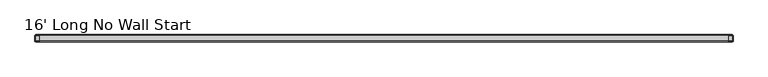
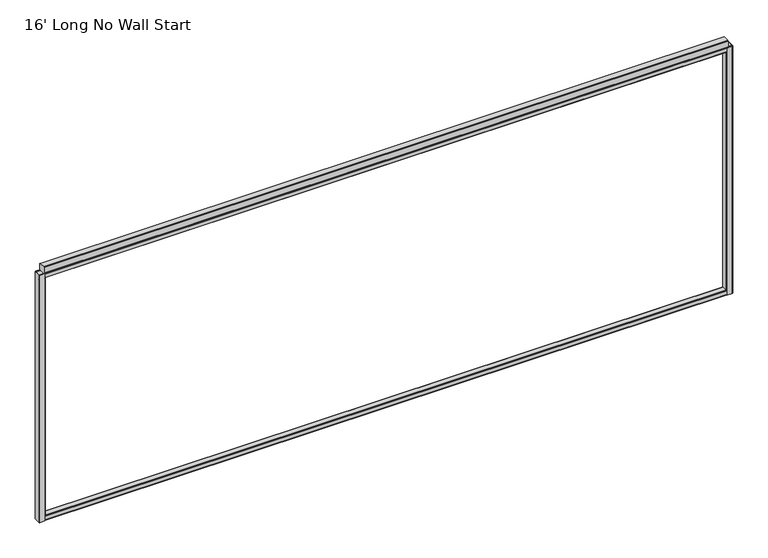
"""IFC4 building model written with IfcOpenShell, lengths in millimetres: furniture geometry, 16' Long No Wall Start."""

from ifc_helpers import new_model, si_unit, frame, origin, place, context, project, spatial, polyline, outline, extrude, faceted_brep, source, transform, mapped, element, save


def furniture_16_long_no_wall_start_468deccb(model_context):
    return source(origin(), model_context, "Body", "SolidModel", [
        faceted_brep([(39.9542, 25.4, 1940.56), (4.4958, 25.4, 1940.56), (1.3167893, 24.0832107, 1940.56), (0.0, 20.9042, 1940.56), (0.0, -20.9042, 1940.56), (1.3167893, -24.0832107, 1940.56), (4.4958, -25.4, 1940.56), (39.9542, -25.4, 1940.56), (39.9542, -23.1181008, 1940.56), (39.5348529, -23.2918, 1940.56), (4.9151471, -23.2918, 1940.56), (2.9303358, -22.4696642, 1940.56), (2.1082, -20.4848529, 1940.56), (2.1082, 20.4848529, 1940.56), (2.9303358, 22.4696642, 1940.56), (4.9151471, 23.2918, 1940.56), (39.5348529, 23.2918, 1940.56), (39.9542, 23.1181008, 1940.56), (39.9542, -25.4, 101.6), (4.4958, -25.4, 101.6), (1.3167893, -24.0832107, 101.6), (0.0, -20.9042, 101.6), (0.0, 20.9042, 101.6), (1.3167893, 24.0832107, 101.6), (4.4958, 25.4, 101.6), (39.9542, 25.4, 101.6), (39.9542, 23.1181008, 101.6), (39.5348529, 23.2918, 101.6), (4.9151471, 23.2918, 101.6), (2.9303358, 22.4696642, 101.6), (2.1082, 20.4848529, 101.6), (2.1082, -20.4848529, 101.6), (2.9303358, -22.4696642, 101.6), (4.9151471, -23.2918, 101.6), (39.5348529, -23.2918, 101.6), (39.9542, -23.1181008, 101.6), (44.45, 20.9042, 1905.635), (44.45, -20.9042, 1905.635), (44.45, -20.9042, 136.525), (44.45, 20.9042, 136.525), (39.9542, -25.4, 136.525), (39.9542, -25.4, 1905.635), (39.9542, 25.4, 1905.635), (39.9542, 25.4, 136.525), (43.1332107, 24.0832107, 1905.635), (43.1332107, 24.0832107, 136.525), (43.1332107, -24.0832107, 1905.635), (43.1332107, -24.0832107, 136.525), (42.3418, -20.4848529, 1905.635), (42.3418, 20.4848529, 1905.635), (42.3418, 20.4848529, 136.525), (42.3418, -20.4848529, 136.525), (41.5196642, 22.4696642, 1905.635), (41.5196642, 22.4696642, 136.525), (39.9542, 23.1181008, 136.525), (39.9542, 23.1181008, 1905.635), (39.9542, -23.1181008, 1905.635), (41.5196642, -22.4696642, 1905.635), (41.5196642, -22.4696642, 136.525), (39.9542, -23.1181008, 136.525)], [[[0, 1, 2, 3, 4, 5, 6, 7, 8, 9, 10, 11, 12, 13, 14, 15, 16, 17]], [[18, 19, 20, 21, 22, 23, 24, 25, 26, 27, 28, 29, 30, 31, 32, 33, 34, 35]], [[36, 37, 38, 39]], [[7, 6, 19, 18, 40, 41]], [[4, 3, 22, 21]], [[1, 0, 42, 43, 25, 24]], [[42, 44, 45, 43]], [[44, 36, 39, 45]], [[37, 46, 47, 38]], [[46, 41, 40, 47]], [[6, 5, 20, 19]], [[5, 4, 21, 20]], [[3, 2, 23, 22]], [[2, 1, 24, 23]], [[48, 49, 50, 51]], [[49, 52, 53, 50]], [[16, 27, 26, 54, 53, 52, 55, 17]], [[16, 15, 28, 27]], [[15, 14, 29, 28]], [[14, 13, 30, 29]], [[13, 12, 31, 30]], [[12, 11, 32, 31]], [[11, 10, 33, 32]], [[10, 9, 34, 33]], [[34, 9, 8, 56, 57, 58, 59, 35]], [[57, 48, 51, 58]], [[42, 55, 52, 49, 48, 57, 56, 41, 46, 37, 36, 44]], [[55, 42, 0, 17]], [[41, 56, 8, 7]], [[54, 43, 45, 39, 38, 47, 40, 59, 58, 51, 50, 53]], [[43, 54, 26, 25]], [[59, 40, 18, 35]]]),
        faceted_brep([(4836.8458, -25.4, 1940.56), (4872.3042, -25.4, 1940.56), (4875.4832107, -24.0832107, 1940.56), (4876.8, -20.9042, 1940.56), (4876.8, 20.9042, 1940.56), (4875.4832107, 24.0832107, 1940.56), (4872.3042, 25.4, 1940.56), (4836.8458, 25.4, 1940.56), (4836.8458, 23.1181008, 1940.56), (4837.2651471, 23.2918, 1940.56), (4871.8848529, 23.2918, 1940.56), (4873.8696642, 22.4696642, 1940.56), (4874.6918, 20.4848529, 1940.56), (4874.6918, -20.4848529, 1940.56), (4873.8696642, -22.4696642, 1940.56), (4871.8848529, -23.2918, 1940.56), (4837.2651471, -23.2918, 1940.56), (4836.8458, -23.1181008, 1940.56), (4836.8458, 25.4, 101.6), (4872.3042, 25.4, 101.6), (4875.4832107, 24.0832107, 101.6), (4876.8, 20.9042, 101.6), (4876.8, -20.9042, 101.6), (4875.4832107, -24.0832107, 101.6), (4872.3042, -25.4, 101.6), (4836.8458, -25.4, 101.6), (4836.8458, -23.1181008, 101.6), (4837.2651471, -23.2918, 101.6), (4871.8848529, -23.2918, 101.6), (4873.8696642, -22.4696642, 101.6), (4874.6918, -20.4848529, 101.6), (4874.6918, 20.4848529, 101.6), (4873.8696642, 22.4696642, 101.6), (4871.8848529, 23.2918, 101.6), (4837.2651471, 23.2918, 101.6), (4836.8458, 23.1181008, 101.6), (4832.35, -20.9042, 1905.635), (4832.35, 20.9042, 1905.635), (4832.35, 20.9042, 136.525), (4832.35, -20.9042, 136.525), (4836.8458, -25.4, 1905.635), (4836.8458, -25.4, 136.525), (4836.8458, 25.4, 136.525), (4836.8458, 25.4, 1905.635), (4833.6667893, 24.0832107, 1905.635), (4833.6667893, 24.0832107, 136.525), (4833.6667893, -24.0832107, 1905.635), (4833.6667893, -24.0832107, 136.525), (4834.4582, 20.4848529, 1905.635), (4834.4582, -20.4848529, 1905.635), (4834.4582, -20.4848529, 136.525), (4834.4582, 20.4848529, 136.525), (4835.2803358, 22.4696642, 1905.635), (4835.2803358, 22.4696642, 136.525), (4836.8458, 23.1181008, 1905.635), (4836.8458, 23.1181008, 136.525), (4836.8458, -23.1181008, 136.525), (4835.2803358, -22.4696642, 136.525), (4835.2803358, -22.4696642, 1905.635), (4836.8458, -23.1181008, 1905.635)], [[[0, 1, 2, 3, 4, 5, 6, 7, 8, 9, 10, 11, 12, 13, 14, 15, 16, 17]], [[18, 19, 20, 21, 22, 23, 24, 25, 26, 27, 28, 29, 30, 31, 32, 33, 34, 35]], [[36, 37, 38, 39]], [[1, 0, 40, 41, 25, 24]], [[4, 3, 22, 21]], [[7, 6, 19, 18, 42, 43]], [[44, 43, 42, 45]], [[37, 44, 45, 38]], [[46, 36, 39, 47]], [[40, 46, 47, 41]], [[2, 1, 24, 23]], [[3, 2, 23, 22]], [[5, 4, 21, 20]], [[6, 5, 20, 19]], [[48, 49, 50, 51]], [[52, 48, 51, 53]], [[34, 9, 8, 54, 52, 53, 55, 35]], [[10, 9, 34, 33]], [[11, 10, 33, 32]], [[12, 11, 32, 31]], [[13, 12, 31, 30]], [[14, 13, 30, 29]], [[15, 14, 29, 28]], [[16, 15, 28, 27]], [[16, 27, 26, 56, 57, 58, 59, 17]], [[49, 58, 57, 50]], [[54, 43, 44, 37, 36, 46, 40, 59, 58, 49, 48, 52]], [[43, 54, 8, 7]], [[59, 40, 0, 17]], [[42, 55, 53, 51, 50, 57, 56, 41, 47, 39, 38, 45]], [[55, 42, 18, 35]], [[41, 56, 26, 25]]]),
        extrude(outline(polyline([(-18.7325958, 101.6), (-21.884598, 102.905602), (-23.1902, 106.0576042), (-23.1902, 132.0673958), (-21.884598, 135.219398), (-18.7325958, 136.525), (18.7325958, 136.525), (21.884598, 135.219398), (23.1902, 132.0673958), (23.1902, 106.0576042), (21.884598, 102.905602), (18.7325958, 101.6), (-18.7325958, 101.6)]), holes=[polyline([(-18.3132488, 103.7082), (18.3132488, 103.7082), (20.2710515, 104.5191485), (21.082, 106.4769512), (21.082, 131.6480488), (20.2710515, 133.6058515), (18.3132488, 134.4168), (-18.3132488, 134.4168), (-20.2710515, 133.6058515), (-21.082, 131.6480488), (-21.082, 106.4769512), (-20.2710515, 104.5191485), (-18.3132488, 103.7082)])]), frame((2.1082, 0.0, 0.0), z_axis=(1.0, 0.0, 0.0), x_axis=(0.0, 1.0, 0.0)), (0.0, 0.0, 1.0), 4872.5836),
        extrude(outline(polyline([(-18.7325958, 1940.56), (18.7325958, 1940.56), (21.884598, 1939.254398), (23.1902, 1936.1023958), (23.1902, 1910.0926042), (21.884598, 1906.940602), (18.7325958, 1905.635), (-18.7325958, 1905.635), (-21.884598, 1906.940602), (-23.1902, 1910.0926042), (-23.1902, 1936.1023958), (-21.884598, 1939.254398), (-18.7325958, 1940.56)]), holes=[polyline([(-18.3132488, 1938.4518), (-20.2710515, 1937.6408515), (-21.082, 1935.6830488), (-21.082, 1910.5119512), (-20.2710515, 1908.5541485), (-18.3132488, 1907.7432), (18.3132488, 1907.7432), (20.2710515, 1908.5541485), (21.082, 1910.5119512), (21.082, 1935.6830488), (20.2710515, 1937.6408515), (18.3132488, 1938.4518), (-18.3132488, 1938.4518)])]), frame((2.1082, 0.0, 0.0), z_axis=(1.0, 0.0, 0.0), x_axis=(0.0, 1.0, 0.0)), (0.0, 0.0, 1.0), 4872.5836),
        extrude(outline(polyline([(19.908865, 1991.36), (25.4, 1985.868865), (25.4, 1946.051135), (19.908865, 1940.56), (-19.908865, 1940.56), (-25.4, 1946.051135), (-25.4, 1985.868865), (-19.908865, 1991.36), (19.908865, 1991.36)])), frame((34.5948, 0.0, 0.0), z_axis=(1.0, 0.0, 0.0), x_axis=(0.0, 1.0, 0.0)), (0.0, 0.0, 1.0), 4807.6104),
    ])


if __name__ == "__main__":
    model = new_model("IFC4")
    model_context = context("Model", 3, world=origin())
    ifc_project = project(units=[si_unit("LENGTHUNIT", "METRE", prefix="MILLI")], contexts=[model_context])
    site = spatial("IfcSite", under=ifc_project)
    building = spatial("IfcBuilding", under=site)
    placement = place(None, origin())
    furniture_16_long_no_wall_start_shape = furniture_16_long_no_wall_start_468deccb(model_context)
    element("IfcFurniture", 1, ObjectType="16' Long No Wall Start", at=placement, inside=building, context=model_context, shape_type="MappedRepresentation", body=[
        mapped(furniture_16_long_no_wall_start_shape, transform((0.0, 0.0, 0.0), x_axis=(1.0, 0.0, 0.0), y_axis=(0.0, 1.0, 0.0), z_axis=(0.0, 0.0, 1.0))),
    ])
    save(model, "model.ifc")
